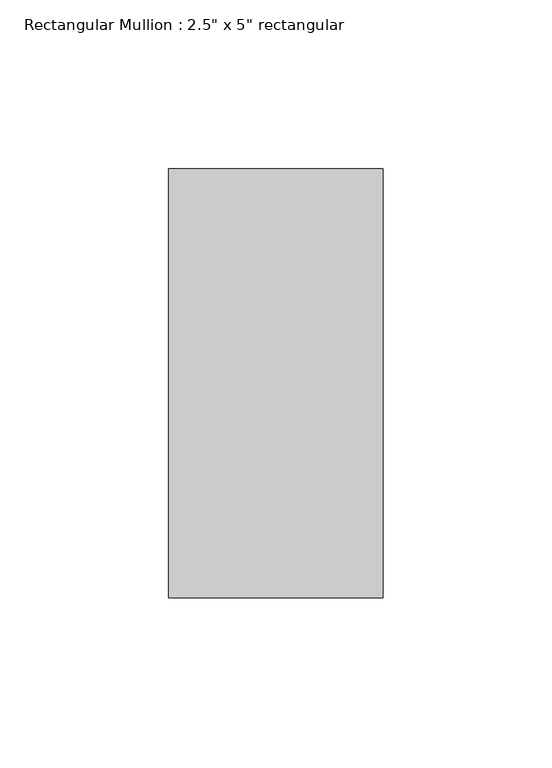
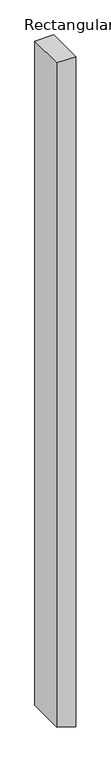
"""IFC4 building model written with IfcOpenShell, lengths in millimetres: member geometry."""

import ifcopenshell
import ifcopenshell.guid

model = None  # the IFC model being written
_history = None  # IfcOwnerHistory: only IFC2X3 demands one
_inside = {}  # id of a spatial element -> (the spatial element, [elements in it])
_under = {}  # id of a project, library or spatial element -> (it, [spatial elements below it])
_declared = {}  # id of a project -> (the project, [libraries it declares])
_typed = {}  # id of a type object -> (the type object, [elements of that type])
_made_of = {}  # id of a material, layer set ... -> (it, [elements and type objects made of it])


def new_model(schema):
    """Start an empty IFC model of exactly this schema.

    Asked for "IFC4X3", IfcOpenShell would pick the latest addendum, in which some entities
    have other attributes; the version numbers below select the first issue.
    IFC2X3 requires an IfcOwnerHistory on every rooted entity: one is made here for all.
    """
    global model, _history
    if schema == "IFC4X3":
        model = ifcopenshell.file(schema_version=(4, 3, 0, 0))
    else:
        model = ifcopenshell.file(schema=schema)
    _inside.clear()
    _under.clear()
    _declared.clear()
    _typed.clear()
    _made_of.clear()
    _history = None
    if model.schema == "IFC2X3":
        org = make("IfcOrganization", Name="unknown")
        user = make(
            "IfcPersonAndOrganization",
            ThePerson=make("IfcPerson", FamilyName="unknown"),
            TheOrganization=org,
        )
        app = make(
            "IfcApplication",
            ApplicationDeveloper=org,
            Version="unknown",
            ApplicationFullName="unknown",
            ApplicationIdentifier="unknown",
        )
        _history = make(
            "IfcOwnerHistory",
            OwningUser=user,
            OwningApplication=app,
            ChangeAction="ADDED",
            CreationDate=0,
        )
    return model


def make(cls, **values):
    """One entity of the class cls with the attributes given. An attribute that is None is left unset."""
    return model.create_entity(
        cls, **{name: value for name, value in values.items() if value is not None}
    )


def rooted(cls, **values):
    """An entity with a GlobalId (a new one), such as an element, a storey or a relation."""
    return make(cls, GlobalId=ifcopenshell.guid.new(), OwnerHistory=_history, **values)


def si_unit(unit_type, name, prefix=None):
    """IfcSIUnit, for example si_unit("LENGTHUNIT", "METRE", prefix="MILLI")."""
    return make("IfcSIUnit", UnitType=unit_type, Prefix=prefix, Name=name)


def assignment(units):
    """IfcUnitAssignment: the units of a project."""
    return None if units is None else make("IfcUnitAssignment", Units=units)


def point(xyz):
    """IfcCartesianPoint."""
    return None if xyz is None else make("IfcCartesianPoint", Coordinates=xyz)


def direction(xyz):
    """IfcDirection."""
    return None if xyz is None else make("IfcDirection", DirectionRatios=xyz)


def frame(location, z_axis=None, x_axis=None):
    """IfcAxis2Placement3D, a coordinate frame: its origin and axes. An axis left out is left unset."""
    return make(
        "IfcAxis2Placement3D",
        Location=point(location),
        Axis=direction(z_axis),
        RefDirection=direction(x_axis),
    )


def origin():
    """The frame at (0, 0, 0) with its axes left unset."""
    return frame((0.0, 0.0, 0.0))


def place(relative_to, where):
    """IfcLocalPlacement: puts the frame where relative to a parent placement (None: the world)."""
    return make(
        "IfcLocalPlacement", PlacementRelTo=relative_to, RelativePlacement=where
    )


def context(
    kind, dimensions, precision=None, world=None, true_north=None, identifier=None
):
    """IfcGeometricRepresentationContext, for example the 3D "Model" context."""
    return make(
        "IfcGeometricRepresentationContext",
        ContextIdentifier=identifier,
        ContextType=kind,
        CoordinateSpaceDimension=dimensions,
        Precision=precision,
        WorldCoordinateSystem=world,
        TrueNorth=true_north,
    )


def project(units=None, contexts=None):
    """IfcProject with its units and contexts."""
    return rooted(
        "IfcProject",
        Name="project",
        RepresentationContexts=contexts,
        UnitsInContext=assignment(units),
    )


def spatial(cls, under=None, at=None, **own):
    """A site, building, storey or space (cls), placed at a placement, below another one or the project."""
    s = rooted(cls, ObjectPlacement=at, **own)
    if under is not None:
        _under.setdefault(under.id(), (under, []))[1].append(s)
    return s


def polyline(points):
    """IfcPolyline through the points."""
    return make("IfcPolyline", Points=[point(p) for p in points])


def outline(outer, holes=None, kind="AREA"):
    """IfcArbitraryClosedProfileDef: a profile drawn as a closed curve; with holes, ...WithVoids."""
    if holes is None:
        return make("IfcArbitraryClosedProfileDef", ProfileType=kind, OuterCurve=outer)
    return make(
        "IfcArbitraryProfileDefWithVoids",
        ProfileType=kind,
        OuterCurve=outer,
        InnerCurves=holes,
    )


def extrude(swept, where, along, depth):
    """IfcExtrudedAreaSolid: the profile swept, set in the frame where, extruded along a direction by depth."""
    return make(
        "IfcExtrudedAreaSolid",
        SweptArea=swept,
        Position=where,
        ExtrudedDirection=direction(along),
        Depth=depth,
    )


def shape(context_of_items, identifier, shape_type, items):
    """IfcShapeRepresentation: the items that make up one representation, for example the "Body"."""
    return make(
        "IfcShapeRepresentation",
        ContextOfItems=context_of_items,
        RepresentationIdentifier=identifier,
        RepresentationType=shape_type,
        Items=items,
    )


def source(mapping_origin, context_of_items, identifier, shape_type, items):
    """IfcRepresentationMap: a shape defined once, which mapped items show again and again."""
    return make(
        "IfcRepresentationMap",
        MappingOrigin=mapping_origin,
        MappedRepresentation=shape(context_of_items, identifier, shape_type, items),
    )


def transform(
    local_origin,
    x_axis=None,
    y_axis=None,
    z_axis=None,
    scale=None,
    scale2=None,
    scale3=None,
    uniform=True,
):
    """IfcCartesianTransformationOperator3D, or its non-uniform kind. x_axis, y_axis, z_axis: its Axis1, 2, 3."""
    if uniform:
        return make(
            "IfcCartesianTransformationOperator3D",
            Axis1=direction(x_axis),
            Axis2=direction(y_axis),
            LocalOrigin=point(local_origin),
            Scale=scale,
            Axis3=direction(z_axis),
        )
    return make(
        "IfcCartesianTransformationOperator3DnonUniform",
        Axis1=direction(x_axis),
        Axis2=direction(y_axis),
        LocalOrigin=point(local_origin),
        Scale=scale,
        Axis3=direction(z_axis),
        Scale2=scale2,
        Scale3=scale3,
    )


def mapped(mapping_source, mapping_target):
    """IfcMappedItem: shows the shape of a source again, moved by a transform."""
    return make(
        "IfcMappedItem", MappingSource=mapping_source, MappingTarget=mapping_target
    )


def made_of(thing, what):
    """Note that an element or type object is made of a material, layer set ...; save() writes the relation."""
    if what is not None:
        _made_of.setdefault(what.id(), (what, []))[1].append(thing)
    return thing


def element(
    cls,
    number,
    at=None,
    inside=None,
    cuts=None,
    type_object=None,
    material=None,
    context=None,
    identifier="Body",
    shape_type=None,
    held_by="IfcProductDefinitionShape",
    body=None,
    shapes=None,
    **own,
):
    """One element of the class cls, such as IfcWall. Its Tag is "e" and its number.

    at: its placement. inside: the storey or other place that contains it. cuts: it is an
    opening in that element (IfcRelVoidsElement). A single representation is given by context,
    identifier, shape_type and body (its items); several are given by shapes. held_by: the class
    of the entity that holds the representations. save() writes the other relations.
    """
    e = rooted(cls, Tag="e%d" % number, ObjectPlacement=at, **own)
    if body is not None:
        shapes = [shape(context, identifier, shape_type, body)]
    if shapes is not None:
        e.Representation = make(held_by, Representations=shapes)
    if inside is not None:
        _inside.setdefault(inside.id(), (inside, []))[1].append(e)
    if cuts is not None:
        rooted(
            "IfcRelVoidsElement", RelatingBuildingElement=cuts, RelatedOpeningElement=e
        )
    if type_object is not None:
        _typed.setdefault(type_object.id(), (type_object, []))[1].append(e)
    return made_of(e, material)


def aggregate(whole, parts):
    """IfcRelAggregates: a whole, such as a stair, and the parts it consists of."""
    return rooted("IfcRelAggregates", RelatingObject=whole, RelatedObjects=parts)


def save(model, path):
    """Write the relations noted so far, then the file.

    IfcRelAggregates (storeys below a building ...), IfcRelContainedInSpatialStructure (elements
    in a storey), IfcRelDefinesByType, IfcRelAssociatesMaterial and IfcRelDeclares: one each for
    every whole, place, type object, material and project.
    """
    for whole, parts in _under.values():
        aggregate(whole, parts)
    for where, things in _inside.values():
        rooted(
            "IfcRelContainedInSpatialStructure",
            RelatedElements=things,
            RelatingStructure=where,
        )
    for kind, things in _typed.values():
        rooted("IfcRelDefinesByType", RelatedObjects=things, RelatingType=kind)
    for what, things in _made_of.values():
        rooted("IfcRelAssociatesMaterial", RelatedObjects=things, RelatingMaterial=what)
    for by, libraries in _declared.values():
        rooted("IfcRelDeclares", RelatingContext=by, RelatedDefinitions=libraries)
    model.write(path)


def member_1239de32(model_context):
    return source(origin(), model_context, "Body", "SweptSolid", [
        extrude(outline(polyline([(0.0, 31.75), (0.0, -31.75), (-2353.6712258, -31.75), (-2370.5665948, 19.7828002), (-2374.4901202, 31.75), (0.0, 31.75)])), frame((0.0, -63.5, 0.0), z_axis=(0.0, 1.0, 0.0), x_axis=(0.0, 0.0, 1.0)), (0.0, 0.0, 1.0), 127.0),
    ])


if __name__ == "__main__":
    model = new_model("IFC4")
    model_context = context("Model", 3, world=origin())
    ifc_project = project(units=[si_unit("LENGTHUNIT", "METRE", prefix="MILLI")], contexts=[model_context])
    site = spatial("IfcSite", under=ifc_project)
    building = spatial("IfcBuilding", under=site)
    placement = place(None, origin())
    member_shape = member_1239de32(model_context)
    element("IfcMember", 1, ObjectType="Rectangular Mullion : 2.5\" x 5\" rectangular", at=placement, inside=building, context=model_context, shape_type="MappedRepresentation", body=[
        mapped(member_shape, transform((0.0, 0.0, 0.0), x_axis=(1.0, 0.0, 0.0), y_axis=(0.0, 1.0, 0.0), z_axis=(0.0, 0.0, 1.0))),
    ])
    save(model, "model.ifc")
